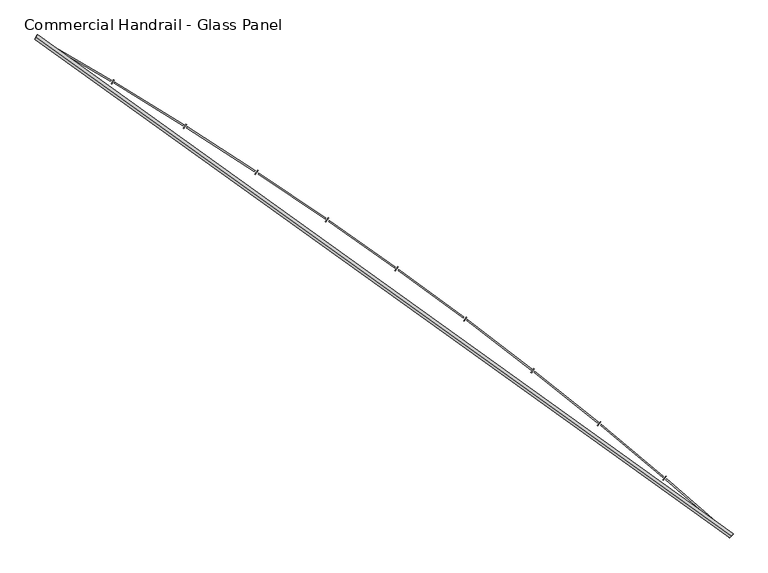
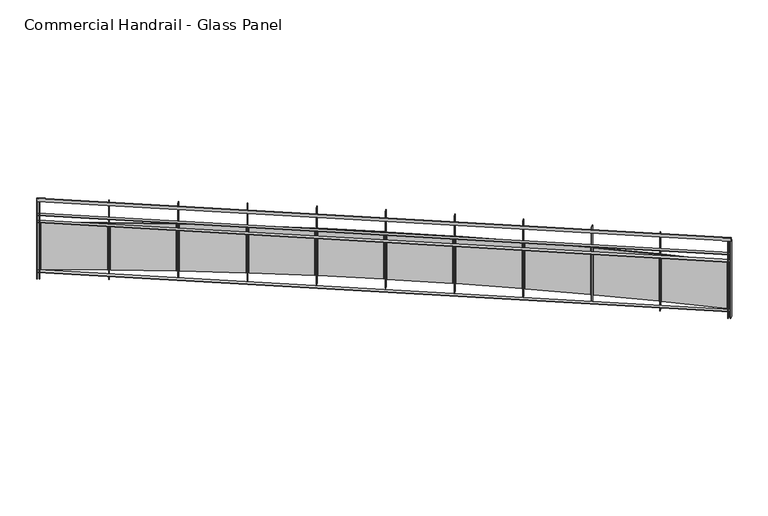
"""IFC4 building model written with IfcOpenShell, lengths in millimetres: railing geometry, Commercial Handrail - Glass Panel."""

from ifc_helpers import new_model, si_unit, point, frame, origin, place, context, project, spatial, polyline, circle_curve, ellipse_curve, trimmed, outline, extrude, source, transform, mapped, element, save
from ifc_brep_helpers import plane_surface, cylinder_surface, revolved_surface, advanced_brep


def commercial_handrail_glass_panel_a30f1e83(model_context):
    return source(origin(), model_context, "Body", "SolidModel", [
        advanced_brep(
        [(167549.0741026, -21421.502679, 36682.5), (161013.6212135, -16726.1286002, 36682.5), (161013.6212135, -16726.1286002, 36717.5), (167549.0741026, -21421.502679, 36717.5)],
        [
            (0, 1, circle_curve(frame((141448.4989992, -50854.6714836, 36682.5), z_axis=(0.0, 0.0, 1.0), x_axis=(0.4973475894068907, 0.8675513675346002, 0.0)), 39338.9304203)),
            (1, 2, ellipse_curve(frame((161013.6212135, -16726.1286002, 36700.0), z_axis=(0.8675513675345968, -0.4973475894068965, 0.0), x_axis=(-0.4973475894068965, -0.8675513675345968, 0.0)), 25.0, 17.5)),
            (2, 3, circle_curve(frame((141448.4989992, -50854.6714836, 36717.5), z_axis=(0.0, 0.0, -1.0), x_axis=(0.4973475894068907, 0.8675513675346002, 0.0)), 39338.9304203)),
            (3, 0, ellipse_curve(frame((167549.0741026, -21421.502679, 36700.0), z_axis=(-0.7481944346262088, 0.6634795309535689, 0.0), x_axis=(-0.6634795309535689, -0.7481944346262088, 0.0)), 25.0, 17.5)),
            (2, 1, ellipse_curve(frame((161013.6212135, -16726.1286002, 36700.0), z_axis=(0.8675513675345968, -0.4973475894068965, 0.0), x_axis=(-0.4973475894068965, -0.8675513675345968, 0.0)), 25.0, 17.5)),
            (0, 3, ellipse_curve(frame((167549.0741026, -21421.502679, 36700.0), z_axis=(-0.7481944346262088, 0.6634795309535689, 0.0), x_axis=(-0.6634795309535689, -0.7481944346262088, 0.0)), 25.0, 17.5)),
        ],
        [
            revolved_surface(trimmed(ellipse_curve(frame((161013.6212135, -16726.1286002, 36700.0), z_axis=(-0.8675513675346002, 0.4973475894068907, 0.0), x_axis=(0.0, 0.0, -1.0)), 17.5, 25.0), [point((161013.6212135, -16726.1286002, 36717.5))], [point((161013.6212135, -16726.1286002, 36682.5))], True, "CARTESIAN"), (141448.4989992, -50854.6714836, 36700.0), (0.0, 0.0, -1.0)),
            revolved_surface(trimmed(ellipse_curve(frame((161013.6212135, -16726.1286002, 36700.0), z_axis=(-0.8675513675346002, 0.4973475894068907, 0.0), x_axis=(0.0, 0.0, -1.0)), 17.5, 25.0), [point((161013.6212135, -16726.1286002, 36682.5))], [point((161013.6212135, -16726.1286002, 36717.5))], True, "CARTESIAN"), (141448.4989992, -50854.6714836, 36700.0), (0.0, 0.0, -1.0)),
            plane_surface(frame((161013.6212135, -16726.1286002, 36700.0), z_axis=(-0.8675513675346002, 0.4973475894068907, 0.0), x_axis=(0.4973475894068907, 0.8675513675346002, 0.0))),
            plane_surface(frame((167549.0741026, -21421.502679, 36700.0), z_axis=(0.7481944346262088, -0.663479530953569, 0.0), x_axis=(0.663479530953569, 0.7481944346262088, 0.0))),
        ],
        [
            (0, [[1, 2, 3, 4]]),
            (1, [[-3, 5, -1, 6]]),
            (2, [[-2, -5]]),
            (3, [[-6, -4]]),
        ],
    ),
        advanced_brep(
        [(167564.0023921, -21404.6683042, 36500.0), (161024.8115343, -16706.6086944, 36500.0), (161002.4308928, -16745.6485059, 36500.0), (167534.1458132, -21438.3370538, 36500.0), (167564.0023921, -21404.6683042, 36494.0), (161024.8115343, -16706.6086944, 36494.0), (167534.1458132, -21438.3370538, 36494.0), (161002.4308928, -16745.6485059, 36494.0)],
        [
            (0, 1, circle_curve(frame((141448.4989992, -50854.6714836, 36500.0), z_axis=(0.0, 0.0, 1.0), x_axis=(0.4973475894068907, 0.8675513675346002, 0.0)), 39361.4304203)),
            (1, 2),
            (2, 3, circle_curve(frame((141448.4989992, -50854.6714836, 36500.0), z_axis=(0.0, 0.0, -1.0), x_axis=(0.4973475894068907, 0.8675513675346002, 0.0)), 39316.4304203)),
            (3, 0),
            (4, 5, circle_curve(frame((141448.4989992, -50854.6714836, 36494.0), z_axis=(0.0, 0.0, 1.0), x_axis=(0.4973475894068907, 0.8675513675346002, 0.0)), 39361.4304203)),
            (5, 1),
            (0, 4),
            (6, 7, circle_curve(frame((141448.4989992, -50854.6714836, 36494.0), z_axis=(0.0, 0.0, 1.0), x_axis=(0.4973475894068907, 0.8675513675346002, 0.0)), 39316.4304203)),
            (7, 5),
            (4, 6),
            (2, 7),
            (6, 3),
        ],
        [
            plane_surface(frame((141448.4989992, -50854.6714836, 36500.0), z_axis=(0.0, 0.0, 1.0), x_axis=(0.4973475894068907, 0.8675513675346002, 0.0))),
            cylinder_surface(frame((141448.4989992, -50854.6714836, 36500.0), z_axis=(0.0, 0.0, -1.0), x_axis=(0.4973475894068907, 0.8675513675346002, 0.0)), 39361.4304203),
            plane_surface(frame((141448.4989992, -50854.6714836, 36494.0), z_axis=(0.0, 0.0, -1.0), x_axis=(0.4973475894068907, 0.8675513675346002, 0.0))),
            revolved_surface(polyline([(161002.43089281995, -16745.64850588978, 36494.0), (161002.43089281995, -16745.64850588978, 36500.0)]), (141448.4989992, -50854.6714836, 36500.0), (0.0, 0.0, -1.0)),
            plane_surface(frame((161013.6212135, -16726.1286002, 36500.0), z_axis=(-0.8675513675346002, 0.4973475894068907, 0.0), x_axis=(0.4973475894068907, 0.8675513675346002, 0.0))),
            plane_surface(frame((167549.0741026, -21421.502679, 36500.0), z_axis=(0.7481944346262088, -0.663479530953569, 0.0), x_axis=(0.663479530953569, 0.7481944346262088, 0.0))),
        ],
        [
            (0, [[1, 2, 3, 4]]),
            (1, [[5, 6, -1, 7]]),
            (2, [[8, 9, -5, 10]]),
            (3, [[-3, 11, -8, 12]]),
            (4, [[-2, -6, -9, -11]]),
            (5, [[-12, -10, -7, -4]]),
        ],
    ),
        advanced_brep(
        [(167564.0023921, -21404.6683042, 36400.0), (161024.8115343, -16706.6086944, 36400.0), (161002.4308928, -16745.6485059, 36400.0), (167534.1458132, -21438.3370538, 36400.0), (167564.0023921, -21404.6683042, 36394.0), (161024.8115343, -16706.6086944, 36394.0), (167534.1458132, -21438.3370538, 36394.0), (161002.4308928, -16745.6485059, 36394.0)],
        [
            (0, 1, circle_curve(frame((141448.4989992, -50854.6714836, 36400.0), z_axis=(0.0, 0.0, 1.0), x_axis=(0.4973475894068907, 0.8675513675346002, 0.0)), 39361.4304203)),
            (1, 2),
            (2, 3, circle_curve(frame((141448.4989992, -50854.6714836, 36400.0), z_axis=(0.0, 0.0, -1.0), x_axis=(0.4973475894068907, 0.8675513675346002, 0.0)), 39316.4304203)),
            (3, 0),
            (4, 5, circle_curve(frame((141448.4989992, -50854.6714836, 36394.0), z_axis=(0.0, 0.0, 1.0), x_axis=(0.4973475894068907, 0.8675513675346002, 0.0)), 39361.4304203)),
            (5, 1),
            (0, 4),
            (6, 7, circle_curve(frame((141448.4989992, -50854.6714836, 36394.0), z_axis=(0.0, 0.0, 1.0), x_axis=(0.4973475894068907, 0.8675513675346002, 0.0)), 39316.4304203)),
            (7, 5),
            (4, 6),
            (2, 7),
            (6, 3),
        ],
        [
            plane_surface(frame((141448.4989992, -50854.6714836, 36400.0), z_axis=(0.0, 0.0, 1.0), x_axis=(0.4973475894068907, 0.8675513675346002, 0.0))),
            cylinder_surface(frame((141448.4989992, -50854.6714836, 36400.0), z_axis=(0.0, 0.0, -1.0), x_axis=(0.4973475894068907, 0.8675513675346002, 0.0)), 39361.4304203),
            plane_surface(frame((141448.4989992, -50854.6714836, 36394.0), z_axis=(0.0, 0.0, -1.0), x_axis=(0.4973475894068907, 0.8675513675346002, 0.0))),
            revolved_surface(polyline([(161002.43089281995, -16745.64850588978, 36394.0), (161002.43089281995, -16745.64850588978, 36400.0)]), (141448.4989992, -50854.6714836, 36400.0), (0.0, 0.0, -1.0)),
            plane_surface(frame((161013.6212135, -16726.1286002, 36400.0), z_axis=(-0.8675513675346002, 0.4973475894068907, 0.0), x_axis=(0.4973475894068907, 0.8675513675346002, 0.0))),
            plane_surface(frame((167549.0741026, -21421.502679, 36400.0), z_axis=(0.7481944346262088, -0.663479530953569, 0.0), x_axis=(0.663479530953569, 0.7481944346262088, 0.0))),
        ],
        [
            (0, [[1, 2, 3, 4]]),
            (1, [[5, 6, -1, 7]]),
            (2, [[8, 9, -5, 10]]),
            (3, [[-3, 11, -8, 12]]),
            (4, [[-2, -6, -9, -11]]),
            (5, [[-12, -10, -7, -4]]),
        ],
    ),
        advanced_brep(
        [(167564.0023921, -21404.6683042, 35700.0), (161024.8115343, -16706.6086944, 35700.0), (161002.4308928, -16745.6485059, 35700.0), (167534.1458132, -21438.3370538, 35700.0), (167564.0023921, -21404.6683042, 35694.0), (161024.8115343, -16706.6086944, 35694.0), (167534.1458132, -21438.3370538, 35694.0), (161002.4308928, -16745.6485059, 35694.0)],
        [
            (0, 1, circle_curve(frame((141448.4989992, -50854.6714836, 35700.0), z_axis=(0.0, 0.0, 1.0), x_axis=(0.4973475894068907, 0.8675513675346002, 0.0)), 39361.4304203)),
            (1, 2),
            (2, 3, circle_curve(frame((141448.4989992, -50854.6714836, 35700.0), z_axis=(0.0, 0.0, -1.0), x_axis=(0.4973475894068907, 0.8675513675346002, 0.0)), 39316.4304203)),
            (3, 0),
            (4, 5, circle_curve(frame((141448.4989992, -50854.6714836, 35694.0), z_axis=(0.0, 0.0, 1.0), x_axis=(0.4973475894068907, 0.8675513675346002, 0.0)), 39361.4304203)),
            (5, 1),
            (0, 4),
            (6, 7, circle_curve(frame((141448.4989992, -50854.6714836, 35694.0), z_axis=(0.0, 0.0, 1.0), x_axis=(0.4973475894068907, 0.8675513675346002, 0.0)), 39316.4304203)),
            (7, 5),
            (4, 6),
            (2, 7),
            (6, 3),
        ],
        [
            plane_surface(frame((141448.4989992, -50854.6714836, 35700.0), z_axis=(0.0, 0.0, 1.0), x_axis=(0.4973475894068907, 0.8675513675346002, 0.0))),
            cylinder_surface(frame((141448.4989992, -50854.6714836, 35700.0), z_axis=(0.0, 0.0, -1.0), x_axis=(0.4973475894068907, 0.8675513675346002, 0.0)), 39361.4304203),
            plane_surface(frame((141448.4989992, -50854.6714836, 35694.0), z_axis=(0.0, 0.0, -1.0), x_axis=(0.4973475894068907, 0.8675513675346002, 0.0))),
            revolved_surface(polyline([(161002.43089281995, -16745.64850588978, 35694.0), (161002.43089281995, -16745.64850588978, 35700.0)]), (141448.4989992, -50854.6714836, 35700.0), (0.0, 0.0, -1.0)),
            plane_surface(frame((161013.6212135, -16726.1286002, 35700.0), z_axis=(-0.8675513675346002, 0.4973475894068907, 0.0), x_axis=(0.4973475894068907, 0.8675513675346002, 0.0))),
            plane_surface(frame((167549.0741026, -21421.502679, 35700.0), z_axis=(0.7481944346262088, -0.663479530953569, 0.0), x_axis=(0.663479530953569, 0.7481944346262088, 0.0))),
        ],
        [
            (0, [[1, 2, 3, 4]]),
            (1, [[5, 6, -1, 7]]),
            (2, [[8, 9, -5, 10]]),
            (3, [[-3, 11, -8, 12]]),
            (4, [[-2, -6, -9, -11]]),
            (5, [[-12, -10, -7, -4]]),
        ],
    ),
        extrude(outline(polyline([(167508.9444824, -21416.0082801), (167538.7747877, -21382.3162501), (167543.2670583, -21386.2936241), (167513.436753, -21419.9856541), (167508.9444824, -21416.0082801)])), frame((0.0, 0.0, 35600.0), z_axis=(0.0, 0.0, 1.0), x_axis=(1.0, 0.0, 0.0)), (0.0, 0.0, 1.0), 1082.1192282),
        extrude(outline(polyline([(166942.1525945, -20883.992877), (167516.2667104, -21381.9818146), (167508.4037272, -21391.0467743), (166934.2896113, -20893.0578368), (166942.1525945, -20883.992877)])), frame((0.0, 0.0, 35720.0), z_axis=(0.0, 0.0, 1.0), x_axis=(1.0, 0.0, 0.0)), (0.0, 0.0, 1.0), 660.0),
        extrude(outline(polyline([(166904.9299151, -20892.1643286), (166934.0689354, -20857.8726752), (166938.6411559, -20861.7578779), (166909.5021355, -20896.0495313), (166904.9299151, -20892.1643286)])), frame((0.0, 0.0, 35600.0), z_axis=(0.0, 0.0, 1.0), x_axis=(1.0, 0.0, 0.0)), (0.0, 0.0, 1.0), 1082.1192282),
        extrude(outline(polyline([(166327.4368564, -20371.7844669), (166911.5587116, -20857.9960035), (166903.8816873, -20867.2189802), (166319.7598321, -20381.0074436), (166327.4368564, -20371.7844669)])), frame((0.0, 0.0, 35720.0), z_axis=(0.0, 0.0, 1.0), x_axis=(1.0, 0.0, 0.0)), (0.0, 0.0, 1.0), 660.0),
        extrude(outline(polyline([(166290.3880375, -20380.7111404), (166318.8237226, -20345.8340446), (166323.4740021, -20349.6254693), (166295.0383169, -20384.5025651), (166290.3880375, -20380.7111404)])), frame((0.0, 0.0, 35600.0), z_axis=(0.0, 0.0, 1.0), x_axis=(1.0, 0.0, 0.0)), (0.0, 0.0, 1.0), 1082.1192282),
        extrude(outline(polyline([(165702.4326258, -19872.1820192), (166296.3206611, -20346.4150858), (166288.8327706, -20355.7922653), (165694.9447352, -19881.5591987), (165702.4326258, -19872.1820192)])), frame((0.0, 0.0, 35720.0), z_axis=(0.0, 0.0, 1.0), x_axis=(1.0, 0.0, 0.0)), (0.0, 0.0, 1.0), 660.0),
        extrude(outline(polyline([(165665.5729886, -19881.860223), (165693.2935792, -19846.4121081), (165698.0199946, -19850.1081868), (165670.2994039, -19885.5563018), (165665.5729886, -19881.860223)])), frame((0.0, 0.0, 35600.0), z_axis=(0.0, 0.0, 1.0), x_axis=(1.0, 0.0, 0.0)), (0.0, 0.0, 1.0), 1082.1192282),
        extrude(outline(polyline([(165067.3983683, -19385.3921406), (165670.8069859, -19847.4506219), (165663.5113257, -19856.9781264), (165060.102708, -19394.9196451), (165067.3983683, -19385.3921406)])), frame((0.0, 0.0, 35720.0), z_axis=(0.0, 0.0, 1.0), x_axis=(1.0, 0.0, 0.0)), (0.0, 0.0, 1.0), 660.0),
        extrude(outline(polyline([(165030.7431559, -19395.8178725), (165057.7371883, -19359.8133976), (165062.537785, -19363.412602), (165035.5437525, -19399.4170768), (165030.7431559, -19395.8178725)])), frame((0.0, 0.0, 35600.0), z_axis=(0.0, 0.0, 1.0), x_axis=(1.0, 0.0, 0.0)), (0.0, 0.0, 1.0), 1082.1192282),
        extrude(outline(polyline([(164422.5966974, -18911.6161393), (165035.2763625, -19361.3089545), (165028.1759496, -19370.982844), (164415.4962846, -18921.2900288), (164422.5966974, -18911.6161393)])), frame((0.0, 0.0, 35720.0), z_axis=(0.0, 0.0, 1.0), x_axis=(1.0, 0.0, 0.0)), (0.0, 0.0, 1.0), 660.0),
        extrude(outline(polyline([(164386.1610683, -18922.7850878), (164412.4173794, -18886.2391424), (164417.2901721, -18889.7399839), (164391.033861, -18926.2859293), (164386.1610683, -18922.7850878)])), frame((0.0, 0.0, 35600.0), z_axis=(0.0, 0.0, 1.0), x_axis=(1.0, 0.0, 0.0)), (0.0, 0.0, 1.0), 1082.1192282),
        extrude(outline(polyline([(163768.294266, -18451.0499418), (164389.9916095, -18888.1911239), (164383.0893803, -18898.0073978), (163761.3920368, -18460.8662157), (163768.294266, -18451.0499418)])), frame((0.0, 0.0, 35720.0), z_axis=(0.0, 0.0, 1.0), x_axis=(1.0, 0.0, 0.0)), (0.0, 0.0, 1.0), 660.0),
        extrude(outline(polyline([(163732.0932877, -18462.957488), (163757.6010195, -18425.8851854), (163762.5439932, -18429.2862163), (163737.0362614, -18466.3585189), (163732.0932877, -18462.957488)])), frame((0.0, 0.0, 35600.0), z_axis=(0.0, 0.0, 1.0), x_axis=(1.0, 0.0, 0.0)), (0.0, 0.0, 1.0), 1082.1192282),
        extrude(outline(polyline([(163104.7616557, -18003.8840116), (163735.2195795, -18428.2927843), (163728.5183883, -18438.2473831), (163098.0604645, -18013.8386104), (163104.7616557, -18003.8840116)])), frame((0.0, 0.0, 35720.0), z_axis=(0.0, 0.0, 1.0), x_axis=(1.0, 0.0, 0.0)), (0.0, 0.0, 1.0), 660.0),
        extrude(outline(polyline([(163068.810299, -18016.5252312), (163093.5589027, -17978.9419023), (163098.5700133, -17982.2417162), (163073.8214095, -18019.8250451), (163068.810299, -18016.5252312)])), frame((0.0, 0.0, 35600.0), z_axis=(0.0, 0.0, 1.0), x_axis=(1.0, 0.0, 0.0)), (0.0, 0.0, 1.0), 1082.1192282),
        extrude(outline(polyline([(162432.2732653, -17570.3032708), (163071.2310484, -17981.8041231), (163064.7336665, -17991.8929302), (162425.7758834, -17580.3920779), (162432.2732653, -17570.3032708)])), frame((0.0, 0.0, 35720.0), z_axis=(0.0, 0.0, 1.0), x_axis=(1.0, 0.0, 0.0)), (0.0, 0.0, 1.0), 660.0),
        extrude(outline(polyline([(162396.5863975, -17583.6729362), (162420.5656387, -17545.5941233), (162425.6428138, -17548.7913555), (162401.6635725, -17586.8701683), (162396.5863975, -17583.6729362)])), frame((0.0, 0.0, 35600.0), z_axis=(0.0, 0.0, 1.0), x_axis=(1.0, 0.0, 0.0)), (0.0, 0.0, 1.0), 1082.1192282),
        extrude(outline(polyline([(161751.1071971, -17150.4870233), (162398.3006035, -17548.9097821), (162392.0097178, -17559.1286254), (161744.8163114, -17160.7058665), (161751.1071971, -17150.4870233)])), frame((0.0, 0.0, 35720.0), z_axis=(0.0, 0.0, 1.0), x_axis=(1.0, 0.0, 0.0)), (0.0, 0.0, 1.0), 660.0),
        extrude(outline(polyline([(161715.6995763, -17164.5796055), (161738.8995386, -17126.0210558), (161744.0406785, -17129.1143841), (161720.8407163, -17167.6729338), (161715.6995763, -17164.5796055)])), frame((0.0, 0.0, 35600.0), z_axis=(0.0, 0.0, 1.0), x_axis=(1.0, 0.0, 0.0)), (0.0, 0.0, 1.0), 1082.1192282),
        extrude(outline(polyline([(161061.5451422, -16744.6088808), (161716.70653, -17129.7887816), (161710.6247421, -17140.1334351), (161055.4633543, -16754.9535343), (161061.5451422, -16744.6088808)])), frame((0.0, 0.0, 35720.0), z_axis=(0.0, 0.0, 1.0), x_axis=(1.0, 0.0, 0.0)), (0.0, 0.0, 1.0), 660.0),
        extrude(outline(polyline([(161026.431411, -16759.418552), (161048.8425001, -16720.3962112), (161054.0454789, -16723.3843564), (161031.6343898, -16762.4066972), (161026.431411, -16759.418552)])), frame((0.0, 0.0, 35600.0), z_axis=(0.0, 0.0, 1.0), x_axis=(1.0, 0.0, 0.0)), (0.0, 0.0, 1.0), 1082.1192282),
        extrude(outline(polyline([(167531.9012299, -21436.3466152), (167561.7578088, -21402.6778657), (167566.2469754, -21406.6587428), (167536.3903965, -21440.3274924), (167531.9012299, -21436.3466152)])), frame((0.0, 0.0, 35600.0), z_axis=(0.0, 0.0, 1.0), x_axis=(1.0, 0.0, 0.0)), (0.0, 0.0, 1.0), 1082.1192282),
        extrude(outline(polyline([(160999.8282387, -16744.1564632), (161022.2088802, -16705.1166516), (161027.4141884, -16708.1007372), (161005.0335469, -16747.1405487), (160999.8282387, -16744.1564632)])), frame((0.0, 0.0, 35600.0), z_axis=(0.0, 0.0, 1.0), x_axis=(1.0, 0.0, 0.0)), (0.0, 0.0, 1.0), 1082.1192282),
    ])


if __name__ == "__main__":
    model = new_model("IFC4")
    model_context = context("Model", 3, world=origin())
    ifc_project = project(units=[si_unit("LENGTHUNIT", "METRE", prefix="MILLI")], contexts=[model_context])
    site = spatial("IfcSite", under=ifc_project)
    building = spatial("IfcBuilding", under=site)
    placement = place(None, origin())
    commercial_handrail_glass_panel_shape = commercial_handrail_glass_panel_a30f1e83(model_context)
    element("IfcRailing", 1, ObjectType="Commercial Handrail - Glass Panel", at=placement, inside=building, context=model_context, shape_type="MappedRepresentation", body=[
        mapped(commercial_handrail_glass_panel_shape, transform((0.0, 0.0, 0.0), x_axis=(1.0, 0.0, 0.0), y_axis=(0.0, 1.0, 0.0), z_axis=(0.0, 0.0, 1.0))),
    ])
    save(model, "model.ifc")
